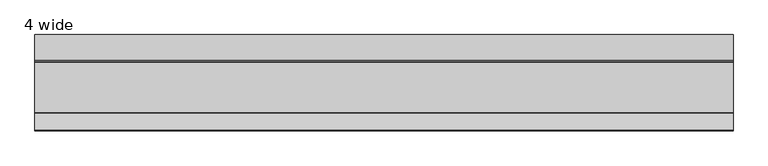
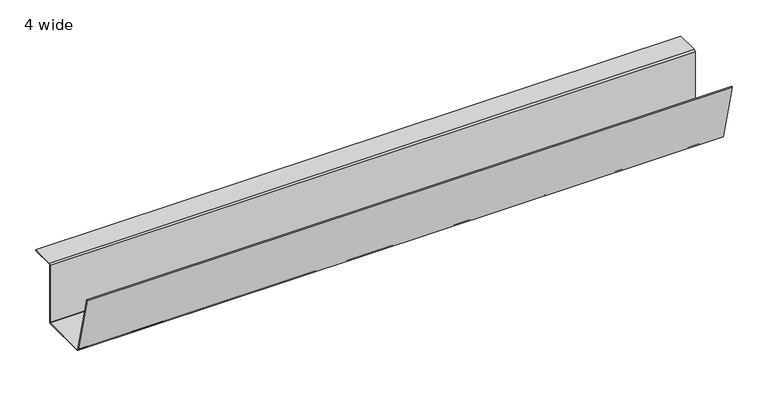
"""IFC4 building model written with IfcOpenShell, lengths in millimetres: furniture geometry, 4 wide."""

from ifc_helpers import new_model, si_unit, frame, origin, place, context, project, spatial, polyline, outline, extrude, source, transform, mapped, element, save


def furniture_4_wide_7eb71308(model_context):
    return source(origin(), model_context, "Body", "SweptSolid", [
        extrude(outline(polyline([(-316.7585724, 502.8984097), (-291.4505128, 403.0435825), (-290.6851639, 402.4480004), (-215.54987, 402.4480004), (-214.7598564, 403.2379958), (-214.7598564, 500.2099837), (-212.4458625, 502.524014), (-174.7598634, 502.524014), (-174.7598634, 501.0000154), (-212.4458625, 501.0000154), (-213.2358579, 500.2099837), (-213.2358579, 403.2379958), (-215.54987, 400.9240019), (-290.6851639, 400.9240019), (-292.9284047, 402.6696189), (-318.2358805, 502.524014), (-316.7585724, 502.8984097)])), frame((89.1499999, 0.0, 0.0), z_axis=(1.0, 0.0, 0.0), x_axis=(0.0, 1.0, 0.0)), (0.0, 0.0, 1.0), 1040.892),
    ])


if __name__ == "__main__":
    model = new_model("IFC4")
    model_context = context("Model", 3, world=origin())
    ifc_project = project(units=[si_unit("LENGTHUNIT", "METRE", prefix="MILLI")], contexts=[model_context])
    site = spatial("IfcSite", under=ifc_project)
    building = spatial("IfcBuilding", under=site)
    placement = place(None, origin())
    furniture_4_wide_shape = furniture_4_wide_7eb71308(model_context)
    element("IfcFurniture", 1, ObjectType="4 wide", at=placement, inside=building, context=model_context, shape_type="MappedRepresentation", body=[
        mapped(furniture_4_wide_shape, transform((0.0, 0.0, 0.0), x_axis=(1.0, 0.0, 0.0), y_axis=(0.0, 1.0, 0.0), z_axis=(0.0, 0.0, 1.0))),
    ])
    save(model, "model.ifc")
